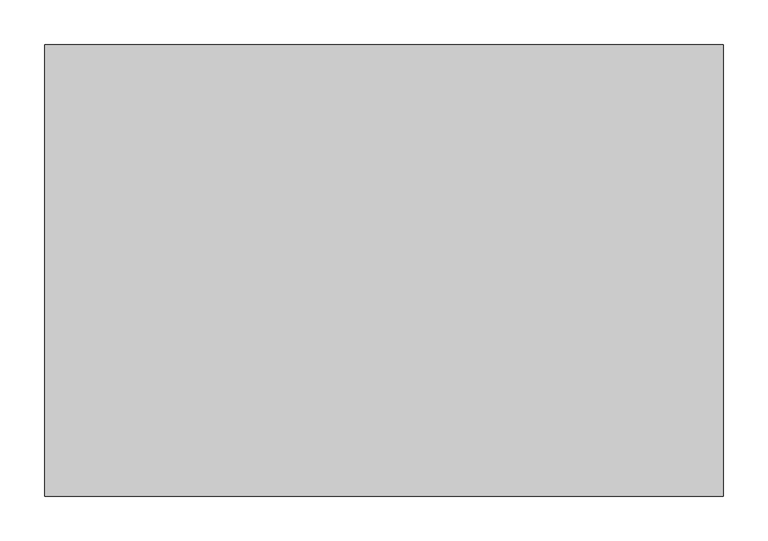
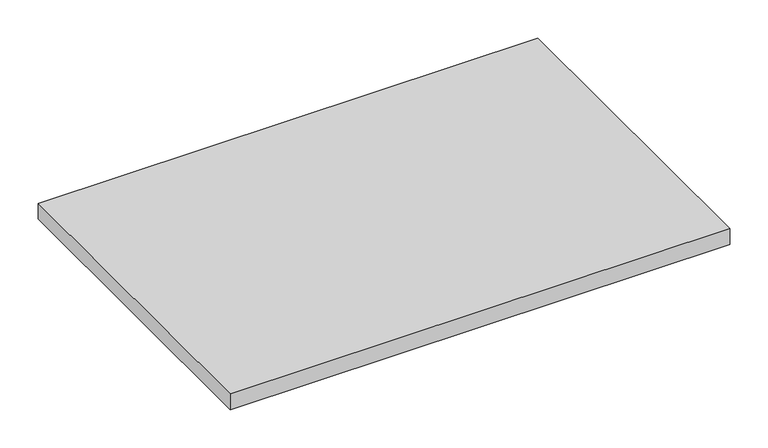
"""IFC4 building model written with IfcOpenShell, lengths in millimetres: furniture geometry."""

from ifc_helpers import new_model, si_unit, frame, origin, place, context, project, spatial, polyline, outline, extrude, source, transform, mapped, element, save


def furniture_9281c611(model_context):
    return source(origin(), model_context, "Body", "SweptSolid", [
        extrude(outline(polyline([(760.3998, -548.7539634), (760.3998, -1053.7059634), (1.6002, -1053.7059634), (1.6002, -548.7539634), (760.3998, -548.7539634)])), frame((0.0, 0.0, 561.60416), z_axis=(0.0, 0.0, 1.0), x_axis=(1.0, 0.0, 0.0)), (0.0, 0.0, 1.0), 25.4),
    ])


if __name__ == "__main__":
    model = new_model("IFC4")
    model_context = context("Model", 3, world=origin())
    ifc_project = project(units=[si_unit("LENGTHUNIT", "METRE", prefix="MILLI")], contexts=[model_context])
    site = spatial("IfcSite", under=ifc_project)
    building = spatial("IfcBuilding", under=site)
    placement = place(None, origin())
    furniture_shape = furniture_9281c611(model_context)
    element("IfcFurniture", 1, at=placement, inside=building, context=model_context, shape_type="MappedRepresentation", body=[
        mapped(furniture_shape, transform((0.0, 0.0, 0.0), x_axis=(1.0, 0.0, 0.0), y_axis=(0.0, 1.0, 0.0), z_axis=(0.0, 0.0, 1.0))),
    ])
    save(model, "model.ifc")
